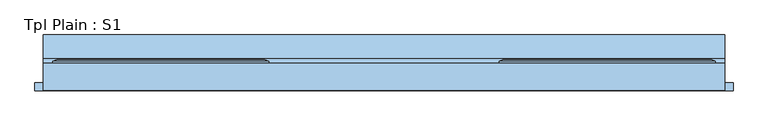
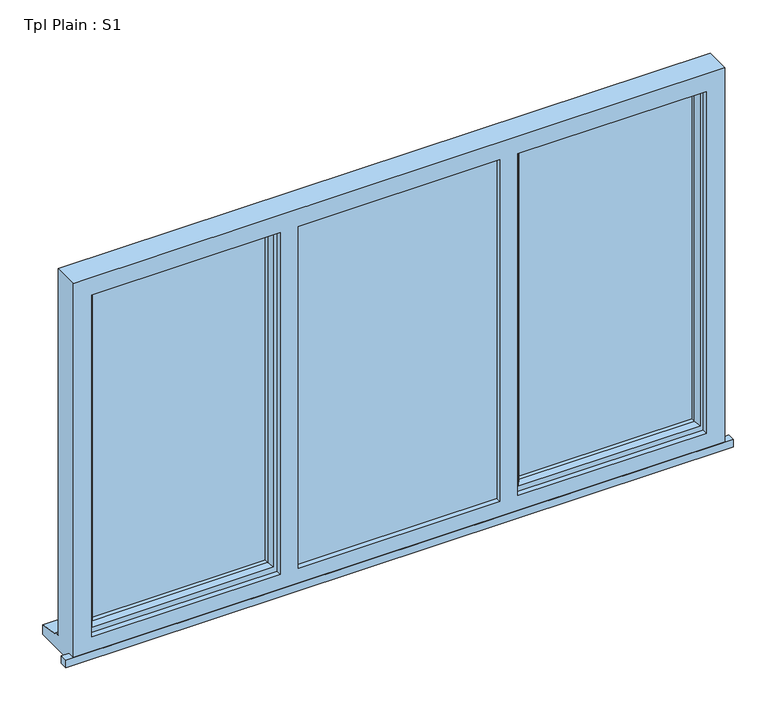
"""IFC4 building model written with IfcOpenShell, lengths in millimetres: window geometry, Tpl Plain : S1."""

from ifc_helpers import new_model, si_unit, frame, origin, place, context, project, spatial, polyline, outline, extrude, faceted_brep, source, transform, mapped, element, save


def tpl_plain_s1_5464552f(model_context):
    return source(origin(), model_context, "Body", "SolidModel", [
        extrude(outline(polyline([(-1700.0, -71.5434322), (-1700.0, -46.5434322), (-1675.0, -46.5434322), (-1675.0, -69.5434322), (425.0, -69.5434322), (425.0, -46.5434322), (450.0, -46.5434322), (450.0, -71.5434322), (-1700.0, -71.5434322)])), frame((0.0, 0.0, 810.0), z_axis=(0.0, 0.0, 1.0), x_axis=(1.0, 0.0, 0.0)), (0.0, 0.0, 1.0), 25.0),
        extrude(outline(polyline([(355.0, -22.5434322), (-230.0, -22.5434322), (-230.0, 1.4565678), (355.0, 1.4565678), (355.0, -22.5434322)])), frame((0.0, 0.0, 903.0), z_axis=(0.0, 0.0, 1.0), x_axis=(1.0, 0.0, 0.0)), (0.0, 0.0, 1.0), 1137.0),
        extrude(outline(polyline([(-960.0, -27.5434322), (-290.0, -27.5434322), (-290.0, -51.5434322), (-960.0, -51.5434322), (-960.0, -27.5434322)])), frame((0.0, 0.0, 873.0), z_axis=(0.0, 0.0, 1.0), x_axis=(1.0, 0.0, 0.0)), (0.0, 0.0, 1.0), 1197.0),
        extrude(outline(polyline([(-1020.0, -22.5434322), (-1605.0, -22.5434322), (-1605.0, 1.4565678), (-1020.0, 1.4565678), (-1020.0, -22.5434322)])), frame((0.0, 0.0, 903.0), z_axis=(0.0, 0.0, 1.0), x_axis=(1.0, 0.0, 0.0)), (0.0, 0.0, 1.0), 1137.0),
        faceted_brep([(425.0, -69.5434322, 2110.0), (-1675.0, -69.5434322, 2110.0), (-1675.0, -69.5434322, 810.0), (425.0, -69.5434322, 810.0), (365.0, -69.5434322, 2050.0), (365.0, -69.5434322, 885.0), (-242.0, -69.5434322, 885.0), (-242.0, -69.5434322, 2050.0), (-300.0, -69.5434322, 2050.0), (-300.0, -69.5434322, 885.0), (-950.0, -69.5434322, 885.0), (-950.0, -69.5434322, 2050.0), (-1008.0, -69.5434322, 2050.0), (-1008.0, -69.5434322, 885.0), (-1615.0, -69.5434322, 885.0), (-1615.0, -69.5434322, 2050.0), (-1675.0, 13.4565678, 2110.0), (-1675.0, 13.4565678, 861.0), (-1675.0, 28.4565678, 859.68767), (-1675.0, 28.4565678, 854.7449676), (-1675.0, 100.9565678, 843.8088847), (-1675.0, 100.9565678, 810.0), (425.0, 13.4565678, 2110.0), (425.0, 13.4565678, 861.0), (-1635.0, 13.4565678, 2070.0), (-1635.0, 13.4565678, 873.0), (-990.0, 13.4565678, 873.0), (-990.0, 13.4565678, 2070.0), (-950.0, 13.4565678, 2070.0), (-950.0, 13.4565678, 873.0), (-300.0, 13.4565678, 873.0), (-300.0, 13.4565678, 2070.0), (-260.0, 13.4565678, 2070.0), (-260.0, 13.4565678, 873.0), (385.0, 13.4565678, 873.0), (385.0, 13.4565678, 2070.0), (-1635.0, -51.5434322, 2070.0), (-1635.0, -51.5434322, 873.0), (-960.0, -51.5434322, 2070.0), (-290.0, -51.5434322, 2070.0), (-290.0, -51.5434322, 873.0), (-960.0, -51.5434322, 873.0), (-300.0, -51.5434322, 2050.0), (-950.0, -51.5434322, 2050.0), (-950.0, -51.5434322, 885.0), (-300.0, -51.5434322, 885.0), (-260.0, -51.5434322, 2070.0), (385.0, -51.5434322, 2070.0), (385.0, -51.5434322, 873.0), (-260.0, -51.5434322, 873.0), (365.0, -51.5434322, 2050.0), (-242.0, -51.5434322, 2050.0), (-242.0, -51.5434322, 885.0), (365.0, -51.5434322, 885.0), (-990.0, -51.5434322, 2070.0), (-990.0, -51.5434322, 873.0), (-1008.0, -51.5434322, 2050.0), (-1615.0, -51.5434322, 2050.0), (-1615.0, -51.5434322, 885.0), (-1008.0, -51.5434322, 885.0), (-950.0, -27.5434322, 2070.0), (-300.0, -27.5434322, 2070.0), (-290.0, -27.5434322, 2070.0), (-960.0, -27.5434322, 2070.0), (425.0, 100.9565678, 810.0), (425.0, 100.9565678, 843.8088847), (425.0, 28.4565678, 854.7449676), (425.0, 28.4565678, 859.68767), (-950.0, -27.5434322, 873.0), (-960.0, -27.5434322, 873.0), (-290.0, -27.5434322, 873.0), (-300.0, -27.5434322, 873.0)], [[[0, 1, 2, 3], [4, 5, 6, 7], [8, 9, 10, 11], [12, 13, 14, 15]], [[2, 1, 16, 17, 18, 19, 20, 21]], [[17, 16, 22, 23], [24, 25, 26, 27], [28, 29, 30, 31], [32, 33, 34, 35]], [[25, 24, 36, 37]], [[38, 39, 40, 41], [42, 43, 44, 45]], [[46, 47, 48, 49], [50, 51, 52, 53]], [[36, 54, 55, 37], [56, 57, 58, 59]], [[57, 15, 14, 58]], [[1, 0, 22, 16]], [[36, 24, 27, 54]], [[35, 47, 46, 32]], [[60, 28, 31, 61, 62, 39, 38, 63]], [[15, 57, 56, 12]], [[50, 4, 7, 51]], [[11, 43, 42, 8]], [[23, 22, 0, 3, 64, 65, 66, 67]], [[35, 34, 48, 47]], [[4, 50, 53, 5]], [[43, 11, 10, 44]], [[12, 56, 59, 13]], [[27, 26, 55, 54]], [[29, 28, 60, 68]], [[68, 60, 63, 69]], [[69, 63, 38, 41]], [[62, 70, 40, 39]], [[70, 62, 61, 71]], [[71, 61, 31, 30]], [[33, 32, 46, 49]], [[51, 7, 6, 52]], [[8, 42, 45, 9]], [[64, 3, 2, 21]], [[65, 64, 21, 20]], [[66, 65, 20, 19]], [[67, 66, 19, 18]], [[23, 67, 18, 17]], [[26, 25, 37, 55]], [[41, 40, 70, 71, 30, 29, 68, 69]], [[34, 33, 49, 48]], [[6, 5, 53, 52]], [[59, 58, 14, 13]], [[45, 44, 10, 9]]]),
        faceted_brep([(-980.0, 13.4565678, 2080.0), (-980.0, 19.2300705, 2080.0), (-1645.0, 19.2300705, 2080.0), (-1645.0, 13.4565678, 2080.0), (-990.0, -51.5434322, 2070.0), (-990.0, 13.4565678, 2070.0), (-1635.0, 13.4565678, 2070.0), (-1635.0, -51.5434322, 2070.0), (-1030.0, -37.0505323, 2030.0), (-1019.8519623, -51.5434322, 2040.1480377), (-1605.1480377, -51.5434322, 2040.1480377), (-1595.0, -37.0505323, 2030.0), (-1030.0, -22.5434322, 2030.0), (-1595.0, -22.5434322, 2030.0), (-1020.0, 1.4565678, 2040.0), (-1020.0, -22.5434322, 2040.0), (-1605.0, -22.5434322, 2040.0), (-1605.0, 1.4565678, 2040.0), (-1030.0, 19.2300705, 2030.0), (-1030.0, 1.4565678, 2030.0), (-1595.0, 1.4565678, 2030.0), (-1595.0, 19.2300705, 2030.0), (-1011.1854344, 25.0035732, 2048.8145656), (-1613.8145656, 25.0035732, 2048.8145656), (-991.6307806, 25.0035732, 2068.3692194), (-1633.3692194, 25.0035732, 2068.3692194), (-1645.0, 19.2300705, 863.0), (-1645.0, 13.4565678, 863.0), (-1635.0, 13.4565678, 873.0), (-1635.0, -51.5434322, 873.0), (-1605.1480377, -51.5434322, 902.8519623), (-1595.0, -37.0505323, 913.0), (-1595.0, -22.5434322, 913.0), (-1605.0, -22.5434322, 903.0), (-1605.0, 1.4565678, 903.0), (-1595.0, 1.4565678, 913.0), (-1595.0, 19.2300705, 913.0), (-1613.8145656, 25.0035732, 894.1854344), (-1633.3692194, 25.0035732, 874.6307806), (-980.0, 19.2300705, 863.0), (-980.0, 13.4565678, 863.0), (-990.0, 13.4565678, 873.0), (-990.0, -51.5434322, 873.0), (-1019.8519623, -51.5434322, 902.8519623), (-1030.0, -37.0505323, 913.0), (-1030.0, -22.5434322, 913.0), (-1020.0, -22.5434322, 903.0), (-1020.0, 1.4565678, 903.0), (-1030.0, 1.4565678, 913.0), (-1030.0, 19.2300705, 913.0), (-1011.1854344, 25.0035732, 894.1854344), (-991.6307806, 25.0035732, 874.6307806)], [[[0, 1, 2, 3]], [[4, 5, 6, 7]], [[8, 9, 10, 11]], [[12, 8, 11, 13]], [[14, 15, 16, 17]], [[18, 19, 20, 21]], [[22, 18, 21, 23]], [[1, 24, 25, 2]], [[3, 2, 26, 27]], [[7, 6, 28, 29]], [[11, 10, 30, 31]], [[13, 11, 31, 32]], [[17, 16, 33, 34]], [[21, 20, 35, 36]], [[23, 21, 36, 37]], [[2, 25, 38, 26]], [[27, 26, 39, 40]], [[0, 3, 27, 40], [41, 28, 6, 5]], [[29, 28, 41, 42]], [[4, 7, 29, 42], [43, 30, 10, 9]], [[31, 30, 43, 44]], [[32, 31, 44, 45]], [[46, 33, 16, 15], [12, 13, 32, 45]], [[34, 33, 46, 47]], [[14, 17, 34, 47], [48, 35, 20, 19]], [[36, 35, 48, 49]], [[37, 36, 49, 50]], [[51, 38, 25, 24], [22, 23, 37, 50]], [[26, 38, 51, 39]], [[40, 39, 1, 0]], [[42, 41, 5, 4]], [[44, 43, 9, 8]], [[45, 44, 8, 12]], [[47, 46, 15, 14]], [[49, 48, 19, 18]], [[50, 49, 18, 22]], [[39, 51, 24, 1]]]),
        faceted_brep([(-270.0, 13.4565678, 2080.0), (-270.0, 19.2300705, 2080.0), (-270.0, 19.2300705, 863.0), (-270.0, 13.4565678, 863.0), (-260.0, -51.5434322, 2070.0), (-260.0, 13.4565678, 2070.0), (-260.0, 13.4565678, 873.0), (-260.0, -51.5434322, 873.0), (-220.0, -37.0505323, 2030.0), (-230.1480377, -51.5434322, 2040.1480377), (-230.1480377, -51.5434322, 902.8519623), (-220.0, -37.0505323, 913.0), (-220.0, -22.5434322, 2030.0), (-220.0, -22.5434322, 913.0), (-230.0, 1.4565678, 2040.0), (-230.0, -22.5434322, 2040.0), (-230.0, -22.5434322, 903.0), (-230.0, 1.4565678, 903.0), (-220.0, 19.2300705, 2030.0), (-220.0, 1.4565678, 2030.0), (-220.0, 1.4565678, 913.0), (-220.0, 19.2300705, 913.0), (-237.4457548, 25.0035732, 2047.4457548), (-237.4457548, 25.0035732, 895.5542452), (-259.2153903, 25.0035732, 2069.2153903), (-259.2153903, 25.0035732, 873.7846097), (395.0, 19.2300705, 863.0), (395.0, 13.4565678, 863.0), (385.0, 13.4565678, 873.0), (385.0, -51.5434322, 873.0), (355.1480377, -51.5434322, 902.8519623), (345.0, -37.0505323, 913.0), (345.0, -22.5434322, 913.0), (355.0, -22.5434322, 903.0), (355.0, 1.4565678, 903.0), (345.0, 1.4565678, 913.0), (345.0, 19.2300705, 913.0), (362.4457548, 25.0035732, 895.5542452), (384.2153903, 25.0035732, 873.7846097), (395.0, 19.2300705, 2080.0), (395.0, 13.4565678, 2080.0), (385.0, 13.4565678, 2070.0), (385.0, -51.5434322, 2070.0), (355.1480377, -51.5434322, 2040.1480377), (345.0, -37.0505323, 2030.0), (345.0, -22.5434322, 2030.0), (355.0, -22.5434322, 2040.0), (355.0, 1.4565678, 2040.0), (345.0, 1.4565678, 2030.0), (345.0, 19.2300705, 2030.0), (362.4457548, 25.0035732, 2047.4457548), (384.2153903, 25.0035732, 2069.2153903)], [[[0, 1, 2, 3]], [[4, 5, 6, 7]], [[8, 9, 10, 11]], [[12, 8, 11, 13]], [[14, 15, 16, 17]], [[18, 19, 20, 21]], [[22, 18, 21, 23]], [[1, 24, 25, 2]], [[3, 2, 26, 27]], [[7, 6, 28, 29]], [[11, 10, 30, 31]], [[13, 11, 31, 32]], [[17, 16, 33, 34]], [[21, 20, 35, 36]], [[23, 21, 36, 37]], [[2, 25, 38, 26]], [[27, 26, 39, 40]], [[29, 28, 41, 42]], [[31, 30, 43, 44]], [[32, 31, 44, 45]], [[34, 33, 46, 47]], [[36, 35, 48, 49]], [[37, 36, 49, 50]], [[26, 38, 51, 39]], [[40, 39, 1, 0]], [[3, 27, 40, 0], [5, 41, 28, 6]], [[42, 41, 5, 4]], [[7, 29, 42, 4], [9, 43, 30, 10]], [[44, 43, 9, 8]], [[45, 44, 8, 12]], [[15, 46, 33, 16], [13, 32, 45, 12]], [[47, 46, 15, 14]], [[17, 34, 47, 14], [19, 48, 35, 20]], [[49, 48, 19, 18]], [[50, 49, 18, 22]], [[24, 51, 38, 25], [23, 37, 50, 22]], [[39, 51, 24, 1]]]),
    ])


if __name__ == "__main__":
    model = new_model("IFC4")
    model_context = context("Model", 3, world=origin())
    ifc_project = project(units=[si_unit("LENGTHUNIT", "METRE", prefix="MILLI")], contexts=[model_context])
    site = spatial("IfcSite", under=ifc_project)
    building = spatial("IfcBuilding", under=site)
    placement = place(None, origin())
    tpl_plain_s1_shape = tpl_plain_s1_5464552f(model_context)
    element("IfcWindow", 1, ObjectType="Tpl Plain : S1", at=placement, inside=building, context=model_context, shape_type="MappedRepresentation", body=[
        mapped(tpl_plain_s1_shape, transform((0.0, 0.0, 0.0), x_axis=(1.0, 0.0, 0.0), y_axis=(0.0, 1.0, 0.0), z_axis=(0.0, 0.0, 1.0))),
    ])
    save(model, "model.ifc")
